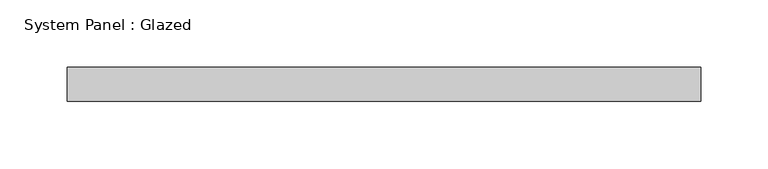
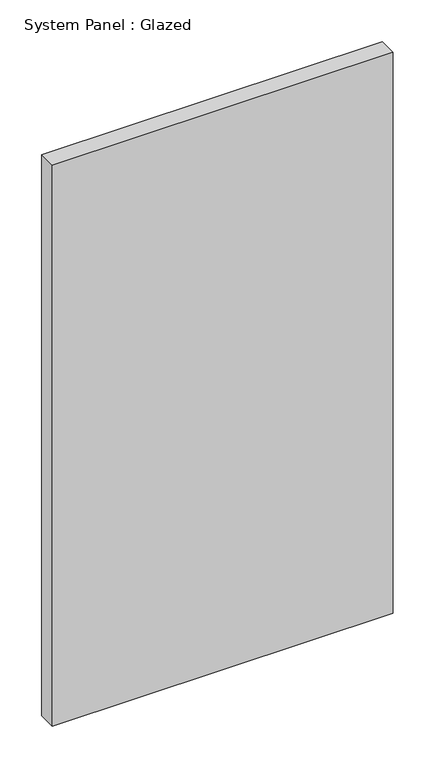
"""IFC4 building model written with IfcOpenShell, lengths in millimetres: plate geometry, System Panel : Glazed."""

from ifc_helpers import new_model, si_unit, origin, origin_with_axes, place, context, project, spatial, polyline, outline, extrude, source, transform, mapped, element, save


def system_panel_glazed_8768bc40(model_context):
    return source(origin(), model_context, "Body", "SweptSolid", [
        extrude(outline(polyline([(235.418934, 19.05), (-235.418934, 19.05), (-235.418934, 44.45), (235.418934, 44.45), (235.418934, 19.05)])), origin_with_axes(), (0.0, 0.0, 1.0), 819.15),
    ])


if __name__ == "__main__":
    model = new_model("IFC4")
    model_context = context("Model", 3, world=origin())
    ifc_project = project(units=[si_unit("LENGTHUNIT", "METRE", prefix="MILLI")], contexts=[model_context])
    site = spatial("IfcSite", under=ifc_project)
    building = spatial("IfcBuilding", under=site)
    placement = place(None, origin())
    system_panel_glazed_shape = system_panel_glazed_8768bc40(model_context)
    element("IfcPlate", 1, ObjectType="System Panel : Glazed", at=placement, inside=building, context=model_context, shape_type="MappedRepresentation", body=[
        mapped(system_panel_glazed_shape, transform((0.0, 0.0, 0.0), x_axis=(1.0, 0.0, 0.0), y_axis=(0.0, 1.0, 0.0), z_axis=(0.0, 0.0, 1.0))),
    ])
    save(model, "model.ifc")
